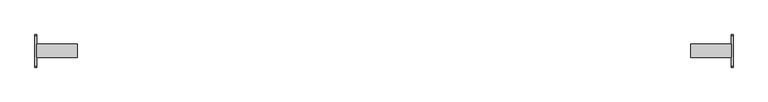
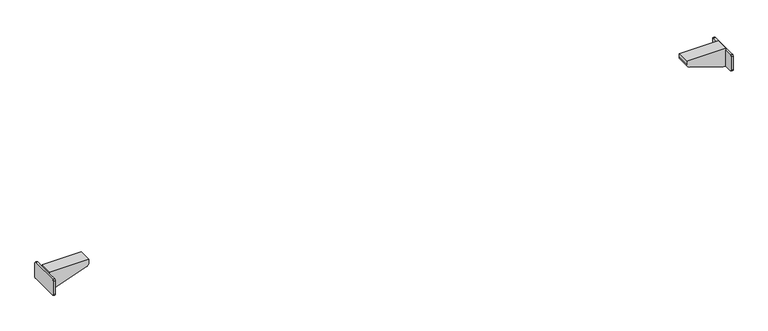
"""IFC4 building model written with IfcOpenShell, lengths in millimetres: furniture geometry."""

import ifcopenshell
import ifcopenshell.guid

model = None  # the IFC model being written
_history = None  # IfcOwnerHistory: only IFC2X3 demands one
_inside = {}  # id of a spatial element -> (the spatial element, [elements in it])
_under = {}  # id of a project, library or spatial element -> (it, [spatial elements below it])
_declared = {}  # id of a project -> (the project, [libraries it declares])
_typed = {}  # id of a type object -> (the type object, [elements of that type])
_made_of = {}  # id of a material, layer set ... -> (it, [elements and type objects made of it])


def new_model(schema):
    """Start an empty IFC model of exactly this schema.

    Asked for "IFC4X3", IfcOpenShell would pick the latest addendum, in which some entities
    have other attributes; the version numbers below select the first issue.
    IFC2X3 requires an IfcOwnerHistory on every rooted entity: one is made here for all.
    """
    global model, _history
    if schema == "IFC4X3":
        model = ifcopenshell.file(schema_version=(4, 3, 0, 0))
    else:
        model = ifcopenshell.file(schema=schema)
    _inside.clear()
    _under.clear()
    _declared.clear()
    _typed.clear()
    _made_of.clear()
    _history = None
    if model.schema == "IFC2X3":
        org = make("IfcOrganization", Name="unknown")
        user = make(
            "IfcPersonAndOrganization",
            ThePerson=make("IfcPerson", FamilyName="unknown"),
            TheOrganization=org,
        )
        app = make(
            "IfcApplication",
            ApplicationDeveloper=org,
            Version="unknown",
            ApplicationFullName="unknown",
            ApplicationIdentifier="unknown",
        )
        _history = make(
            "IfcOwnerHistory",
            OwningUser=user,
            OwningApplication=app,
            ChangeAction="ADDED",
            CreationDate=0,
        )
    return model


def make(cls, **values):
    """One entity of the class cls with the attributes given. An attribute that is None is left unset."""
    return model.create_entity(
        cls, **{name: value for name, value in values.items() if value is not None}
    )


def rooted(cls, **values):
    """An entity with a GlobalId (a new one), such as an element, a storey or a relation."""
    return make(cls, GlobalId=ifcopenshell.guid.new(), OwnerHistory=_history, **values)


def si_unit(unit_type, name, prefix=None):
    """IfcSIUnit, for example si_unit("LENGTHUNIT", "METRE", prefix="MILLI")."""
    return make("IfcSIUnit", UnitType=unit_type, Prefix=prefix, Name=name)


def assignment(units):
    """IfcUnitAssignment: the units of a project."""
    return None if units is None else make("IfcUnitAssignment", Units=units)


def point(xyz):
    """IfcCartesianPoint."""
    return None if xyz is None else make("IfcCartesianPoint", Coordinates=xyz)


def direction(xyz):
    """IfcDirection."""
    return None if xyz is None else make("IfcDirection", DirectionRatios=xyz)


def frame(location, z_axis=None, x_axis=None):
    """IfcAxis2Placement3D, a coordinate frame: its origin and axes. An axis left out is left unset."""
    return make(
        "IfcAxis2Placement3D",
        Location=point(location),
        Axis=direction(z_axis),
        RefDirection=direction(x_axis),
    )


def frame_2d(location, x_axis=None):
    """IfcAxis2Placement2D, a coordinate frame in the plane: its origin and x axis."""
    return make(
        "IfcAxis2Placement2D", Location=point(location), RefDirection=direction(x_axis)
    )


def origin():
    """The frame at (0, 0, 0) with its axes left unset."""
    return frame((0.0, 0.0, 0.0))


def place(relative_to, where):
    """IfcLocalPlacement: puts the frame where relative to a parent placement (None: the world)."""
    return make(
        "IfcLocalPlacement", PlacementRelTo=relative_to, RelativePlacement=where
    )


def context(
    kind, dimensions, precision=None, world=None, true_north=None, identifier=None
):
    """IfcGeometricRepresentationContext, for example the 3D "Model" context."""
    return make(
        "IfcGeometricRepresentationContext",
        ContextIdentifier=identifier,
        ContextType=kind,
        CoordinateSpaceDimension=dimensions,
        Precision=precision,
        WorldCoordinateSystem=world,
        TrueNorth=true_north,
    )


def project(units=None, contexts=None):
    """IfcProject with its units and contexts."""
    return rooted(
        "IfcProject",
        Name="project",
        RepresentationContexts=contexts,
        UnitsInContext=assignment(units),
    )


def spatial(cls, under=None, at=None, **own):
    """A site, building, storey or space (cls), placed at a placement, below another one or the project."""
    s = rooted(cls, ObjectPlacement=at, **own)
    if under is not None:
        _under.setdefault(under.id(), (under, []))[1].append(s)
    return s


def polyline(points):
    """IfcPolyline through the points."""
    return make("IfcPolyline", Points=[point(p) for p in points])


def circle_curve(where, radius):
    """IfcCircle in the frame where."""
    return make("IfcCircle", Position=where, Radius=radius)


def trimmed(basis, trim1, trim2, sense, master):
    """IfcTrimmedCurve: the piece of a basis curve between two trims."""
    return make(
        "IfcTrimmedCurve",
        BasisCurve=basis,
        Trim1=trim1,
        Trim2=trim2,
        SenseAgreement=sense,
        MasterRepresentation=master,
    )


def segment(curve, same_sense, transition):
    """IfcCompositeCurveSegment."""
    return make(
        "IfcCompositeCurveSegment",
        Transition=transition,
        SameSense=same_sense,
        ParentCurve=curve,
    )


def composite_curve(segments, self_intersect=None):
    """IfcCompositeCurve: segments joined end to end."""
    return make("IfcCompositeCurve", Segments=segments, SelfIntersect=self_intersect)


def outline(outer, holes=None, kind="AREA"):
    """IfcArbitraryClosedProfileDef: a profile drawn as a closed curve; with holes, ...WithVoids."""
    if holes is None:
        return make("IfcArbitraryClosedProfileDef", ProfileType=kind, OuterCurve=outer)
    return make(
        "IfcArbitraryProfileDefWithVoids",
        ProfileType=kind,
        OuterCurve=outer,
        InnerCurves=holes,
    )


def extrude(swept, where, along, depth):
    """IfcExtrudedAreaSolid: the profile swept, set in the frame where, extruded along a direction by depth."""
    return make(
        "IfcExtrudedAreaSolid",
        SweptArea=swept,
        Position=where,
        ExtrudedDirection=direction(along),
        Depth=depth,
    )


def shape(context_of_items, identifier, shape_type, items):
    """IfcShapeRepresentation: the items that make up one representation, for example the "Body"."""
    return make(
        "IfcShapeRepresentation",
        ContextOfItems=context_of_items,
        RepresentationIdentifier=identifier,
        RepresentationType=shape_type,
        Items=items,
    )


def source(mapping_origin, context_of_items, identifier, shape_type, items):
    """IfcRepresentationMap: a shape defined once, which mapped items show again and again."""
    return make(
        "IfcRepresentationMap",
        MappingOrigin=mapping_origin,
        MappedRepresentation=shape(context_of_items, identifier, shape_type, items),
    )


def transform(
    local_origin,
    x_axis=None,
    y_axis=None,
    z_axis=None,
    scale=None,
    scale2=None,
    scale3=None,
    uniform=True,
):
    """IfcCartesianTransformationOperator3D, or its non-uniform kind. x_axis, y_axis, z_axis: its Axis1, 2, 3."""
    if uniform:
        return make(
            "IfcCartesianTransformationOperator3D",
            Axis1=direction(x_axis),
            Axis2=direction(y_axis),
            LocalOrigin=point(local_origin),
            Scale=scale,
            Axis3=direction(z_axis),
        )
    return make(
        "IfcCartesianTransformationOperator3DnonUniform",
        Axis1=direction(x_axis),
        Axis2=direction(y_axis),
        LocalOrigin=point(local_origin),
        Scale=scale,
        Axis3=direction(z_axis),
        Scale2=scale2,
        Scale3=scale3,
    )


def mapped(mapping_source, mapping_target):
    """IfcMappedItem: shows the shape of a source again, moved by a transform."""
    return make(
        "IfcMappedItem", MappingSource=mapping_source, MappingTarget=mapping_target
    )


def made_of(thing, what):
    """Note that an element or type object is made of a material, layer set ...; save() writes the relation."""
    if what is not None:
        _made_of.setdefault(what.id(), (what, []))[1].append(thing)
    return thing


def element(
    cls,
    number,
    at=None,
    inside=None,
    cuts=None,
    type_object=None,
    material=None,
    context=None,
    identifier="Body",
    shape_type=None,
    held_by="IfcProductDefinitionShape",
    body=None,
    shapes=None,
    **own,
):
    """One element of the class cls, such as IfcWall. Its Tag is "e" and its number.

    at: its placement. inside: the storey or other place that contains it. cuts: it is an
    opening in that element (IfcRelVoidsElement). A single representation is given by context,
    identifier, shape_type and body (its items); several are given by shapes. held_by: the class
    of the entity that holds the representations. save() writes the other relations.
    """
    e = rooted(cls, Tag="e%d" % number, ObjectPlacement=at, **own)
    if body is not None:
        shapes = [shape(context, identifier, shape_type, body)]
    if shapes is not None:
        e.Representation = make(held_by, Representations=shapes)
    if inside is not None:
        _inside.setdefault(inside.id(), (inside, []))[1].append(e)
    if cuts is not None:
        rooted(
            "IfcRelVoidsElement", RelatingBuildingElement=cuts, RelatedOpeningElement=e
        )
    if type_object is not None:
        _typed.setdefault(type_object.id(), (type_object, []))[1].append(e)
    return made_of(e, material)


def aggregate(whole, parts):
    """IfcRelAggregates: a whole, such as a stair, and the parts it consists of."""
    return rooted("IfcRelAggregates", RelatingObject=whole, RelatedObjects=parts)


def save(model, path):
    """Write the relations noted so far, then the file.

    IfcRelAggregates (storeys below a building ...), IfcRelContainedInSpatialStructure (elements
    in a storey), IfcRelDefinesByType, IfcRelAssociatesMaterial and IfcRelDeclares: one each for
    every whole, place, type object, material and project.
    """
    for whole, parts in _under.values():
        aggregate(whole, parts)
    for where, things in _inside.values():
        rooted(
            "IfcRelContainedInSpatialStructure",
            RelatedElements=things,
            RelatingStructure=where,
        )
    for kind, things in _typed.values():
        rooted("IfcRelDefinesByType", RelatedObjects=things, RelatingType=kind)
    for what, things in _made_of.values():
        rooted("IfcRelAssociatesMaterial", RelatedObjects=things, RelatingMaterial=what)
    for by, libraries in _declared.values():
        rooted("IfcRelDeclares", RelatingContext=by, RelatedDefinitions=libraries)
    model.write(path)


def plane_surface(at):
    """IfcPlane: the flat surface through the origin of the frame at, square to its z axis."""
    return make("IfcPlane", Position=at)


def cylinder_surface(at, radius):
    """IfcCylindricalSurface: all points at the distance radius from the z axis of the frame at."""
    return make("IfcCylindricalSurface", Position=at, Radius=radius)


def advanced_brep(points, edges, surfaces, faces):
    """IfcAdvancedBrep: a solid bounded by faces that lie on surfaces and meet in shared edges.

    An edge is (start, end): straight between two places in points (the first is 0);
    or (start, end, curve); or (start, end, curve, False) where it runs against its curve.
    A face is (place in surfaces, loops), or (place, loops, False) where it looks against
    its surface's normal. A loop lists edges by number (the first is 1), with a minus sign
    where the edge is run from its end to its start. The first loop is the outer one.
    """
    corners = [point(p) for p in points]
    vertices = [make("IfcVertexPoint", VertexGeometry=c) for c in corners]
    made = []
    for start, end, *more in edges:
        made.append(
            make(
                "IfcEdgeCurve",
                EdgeStart=vertices[start],
                EdgeEnd=vertices[end],
                EdgeGeometry=more[0] if more else make("IfcPolyline", Points=[corners[start], corners[end]]),
                SameSense=more[1] if len(more) > 1 else True,
            )
        )
    hull = []
    for where, loops, *sense in faces:
        bounds = []
        for j, loop in enumerate(loops):
            ring = [make("IfcOrientedEdge", EdgeElement=made[abs(k) - 1], Orientation=k > 0) for k in loop]
            bounds.append(
                make(
                    "IfcFaceOuterBound" if j == 0 else "IfcFaceBound",
                    Bound=make("IfcEdgeLoop", EdgeList=ring),
                    Orientation=True,
                )
            )
        hull.append(make("IfcAdvancedFace", Bounds=bounds, FaceSurface=surfaces[where], SameSense=sense[0] if sense else True))
    return make("IfcAdvancedBrep", Outer=make("IfcClosedShell", CfsFaces=hull))


def furniture_bfee7aee(model_context):
    return source(origin(), model_context, "Body", "SolidModel", [
        extrude(outline(composite_curve([segment(polyline([(-39.4809876, 524.76), (39.5, 524.76)]), True, "CONTINUOUS"), segment(trimmed(circle_curve(frame_2d((39.5, 521.76)), 3.0), [point((39.5, 524.76))], [point((42.5, 521.76))], False, "CARTESIAN"), True, "CONTINUOUS"), segment(polyline([(42.5, 521.76), (42.5, 483.0324612)]), True, "CONTINUOUS"), segment(trimmed(circle_curve(frame_2d((39.4675388, 483.0324612)), 3.0324612), [point((42.5, 483.0324612))], [point((39.4675388, 480.0))], False, "CARTESIAN"), True, "CONTINUOUS"), segment(polyline([(39.4675388, 480.0), (-39.5133375, 480.0)]), True, "CONTINUOUS"), segment(trimmed(circle_curve(frame_2d((-39.5133375, 482.9866625)), 2.9866625), [point((-39.5133375, 480.0))], [point((-42.5, 482.9866625))], False, "CARTESIAN"), True, "CONTINUOUS"), segment(polyline([(-42.5, 482.9866625), (-42.5, 521.7409876)]), True, "CONTINUOUS"), segment(trimmed(circle_curve(frame_2d((-39.4809876, 521.7409876)), 3.0190124), [point((-42.5, 521.7409876))], [point((-39.4809876, 524.76))], False, "CARTESIAN"), True, "CONTINUOUS")], self_intersect=False)), frame((904.7599968, 0.0, 0.0), z_axis=(1.0, 0.0, 0.0), x_axis=(0.0, 1.0, 0.0)), (0.0, 0.0, 1.0), 5.24),
        extrude(outline(composite_curve([segment(polyline([(511.6677828, 806.7222698), (480.0, 897.9999968), (480.0, 904.7599968), (530.0, 904.7599968), (530.0, 799.9999968), (521.115349, 799.9999968)]), True, "CONTINUOUS"), segment(trimmed(circle_curve(frame_2d((521.115349, 809.9999968)), 10.0), [point((521.115349, 799.9999968))], [point((511.6677828, 806.7222698))], False, "CARTESIAN"), True, "CONTINUOUS")], self_intersect=False)), frame((0.0, -17.5, 0.0), z_axis=(0.0, 1.0, 0.0), x_axis=(0.0, 0.0, 1.0)), (0.0, 0.0, 1.0), 35.0),
        advanced_brep(
        [(-806.7222698, 17.5, 511.6677828), (-897.9999968, 17.5, 480.0), (-904.7599968, 17.5, 480.0), (-904.7599968, 17.5, 524.76), (-904.7599968, 17.5, 530.0), (-799.9999968, 17.5, 530.0), (-799.9999968, 17.5, 521.115349), (-806.7222698, -17.5, 511.6677828), (-799.9999968, -17.5, 521.115349), (-799.9999968, -17.5, 530.0), (-904.7599968, -17.5, 530.0), (-904.7599968, -17.5, 524.76), (-904.7599968, -17.5, 480.0), (-897.9999968, -17.5, 480.0), (-904.7599968, -39.5133375, 480.0), (-909.9999968, -39.5133375, 480.0), (-909.9999968, 39.4675388, 480.0), (-904.7599968, 39.4675388, 480.0), (-904.7599968, -39.4809876, 524.76), (-904.7599968, -42.5, 521.7409876), (-904.7599968, -42.5, 482.9866625), (-904.7599968, 39.5, 524.76), (-904.7599968, 42.5, 483.0324612), (-904.7599968, 42.5, 521.76), (-909.9999968, -39.4809876, 524.76), (-909.9999968, 39.5, 524.76), (-909.9999968, 42.5, 521.76), (-909.9999968, 42.5, 483.0324612), (-909.9999968, -42.5, 482.9866625), (-909.9999968, -42.5, 521.7409876)],
        [
            (0, 1),
            (1, 2),
            (2, 3),
            (3, 4),
            (4, 5),
            (5, 6),
            (6, 0, circle_curve(frame((-809.9999968, 17.5, 521.115349), z_axis=(0.0, 1.0, 0.0), x_axis=(1.0, 0.0, 0.0)), 10.0)),
            (7, 8, circle_curve(frame((-809.9999968, -17.5, 521.115349), z_axis=(0.0, -1.0, 0.0), x_axis=(1.0, 0.0, 0.0)), 10.0)),
            (8, 9),
            (9, 10),
            (10, 11),
            (11, 12),
            (12, 13),
            (13, 7),
            (6, 8),
            (7, 0),
            (5, 9),
            (4, 10),
            (3, 11),
            (1, 13),
            (12, 14),
            (14, 15),
            (15, 16),
            (16, 17),
            (17, 2),
            (11, 18),
            (18, 19, circle_curve(frame((-904.7599968, -39.4809876, 521.7409876), z_axis=(1.0, 0.0, 0.0), x_axis=(0.0, -1.0, 0.0)), 3.0190124)),
            (19, 20),
            (20, 14, circle_curve(frame((-904.7599968, -39.5133375, 482.9866625), z_axis=(1.0, 0.0, 0.0), x_axis=(0.0, -1.0, 0.0)), 2.9866625)),
            (21, 3),
            (17, 22, circle_curve(frame((-904.7599968, 39.4675388, 483.0324612), z_axis=(1.0, 0.0, 0.0), x_axis=(0.0, -1.0, 0.0)), 3.0324612)),
            (22, 23),
            (23, 21, circle_curve(frame((-904.7599968, 39.5, 521.76), z_axis=(1.0, 0.0, 0.0), x_axis=(0.0, -1.0, 0.0)), 3.0)),
            (24, 25),
            (25, 26, circle_curve(frame((-909.9999968, 39.5, 521.76), z_axis=(-1.0, 0.0, 0.0), x_axis=(0.0, -1.0, 0.0)), 3.0)),
            (26, 27),
            (27, 16, circle_curve(frame((-909.9999968, 39.4675388, 483.0324612), z_axis=(-1.0, 0.0, 0.0), x_axis=(0.0, -1.0, 0.0)), 3.0324612)),
            (15, 28, circle_curve(frame((-909.9999968, -39.5133375, 482.9866625), z_axis=(-1.0, 0.0, 0.0), x_axis=(0.0, -1.0, 0.0)), 2.9866625)),
            (28, 29),
            (29, 24, circle_curve(frame((-909.9999968, -39.4809876, 521.7409876), z_axis=(-1.0, 0.0, 0.0), x_axis=(0.0, -1.0, 0.0)), 3.0190124)),
            (24, 18),
            (21, 25),
            (23, 26),
            (22, 27),
            (20, 28),
            (19, 29),
        ],
        [
            plane_surface(frame((-799.9999968, 17.5, 521.115349), z_axis=(0.0, 1.0, 0.0), x_axis=(0.0, 0.0, 1.0))),
            plane_surface(frame((-799.9999968, -17.5, 521.115349), z_axis=(0.0, -1.0, 0.0), x_axis=(0.0, 0.0, -1.0))),
            cylinder_surface(frame((-809.9999968, -17.5, 521.115349), z_axis=(0.0, 1.0, 0.0), x_axis=(1.0, 0.0, 0.0)), 10.0),
            plane_surface(frame((-799.9999968, 17.5, 521.115349), z_axis=(1.0, 0.0, 0.0), x_axis=(0.0, -1.0, 0.0))),
            plane_surface(frame((-799.9999968, 17.5, 530.0), z_axis=(0.0, 0.0, 1.0), x_axis=(0.0, -1.0, 0.0))),
            plane_surface(frame((-904.7599968, 17.5, 530.0), z_axis=(-1.0, 0.0, 0.0), x_axis=(0.0, -1.0, 0.0))),
            plane_surface(frame((-904.7599968, 17.5, 480.0), z_axis=(0.0, 0.0, -1.0), x_axis=(0.0, -1.0, 0.0))),
            plane_surface(frame((-897.9999968, 17.5, 480.0), z_axis=(0.32777270209389825, 0.0, -0.9447566119176223), x_axis=(0.0, -1.0, 0.0))),
            plane_surface(frame((-904.7599968, 39.5, 524.76), z_axis=(1.0, 0.0, 0.0), x_axis=(0.0, 1.0, 0.0))),
            plane_surface(frame((-909.9999968, 39.5, 524.76), z_axis=(-1.0, 0.0, 0.0), x_axis=(0.0, -1.0, 0.0))),
            plane_surface(frame((-904.7599968, -39.4809876, 524.76), z_axis=(0.0, 0.0, 1.0), x_axis=(-1.0, 0.0, 0.0))),
            cylinder_surface(frame((-909.9999968, 39.5, 521.76), z_axis=(1.0, 0.0, 0.0), x_axis=(0.0, -1.0, 0.0)), 3.0),
            plane_surface(frame((-904.7599968, 42.5, 521.76), z_axis=(0.0, 1.0, 0.0), x_axis=(-1.0, 0.0, 0.0))),
            cylinder_surface(frame((-909.9999968, 39.4675388, 483.0324612), z_axis=(1.0, 0.0, 0.0), x_axis=(0.0, -1.0, 0.0)), 3.0324612),
            cylinder_surface(frame((-909.9999968, -39.5133375, 482.9866625), z_axis=(1.0, 0.0, 0.0), x_axis=(0.0, -1.0, 0.0)), 2.9866625),
            plane_surface(frame((-904.7599968, -42.5, 482.9866625), z_axis=(0.0, -1.0, 0.0), x_axis=(-1.0, 0.0, 0.0))),
            cylinder_surface(frame((-909.9999968, -39.4809876, 521.7409876), z_axis=(1.0, 0.0, 0.0), x_axis=(0.0, -1.0, 0.0)), 3.0190124),
        ],
        [
            (0, [[1, 2, 3, 4, 5, 6, 7]]),
            (1, [[8, 9, 10, 11, 12, 13, 14]]),
            (2, [[15, -8, 16, -7]]),
            (3, [[17, -9, -15, -6]]),
            (4, [[18, -10, -17, -5]]),
            (5, [[-4, 19, -11, -18]]),
            (6, [[20, -13, 21, 22, 23, 24, 25, -2]]),
            (7, [[-16, -14, -20, -1]]),
            (8, [[-21, -12, 26, 27, 28, 29]]),
            (8, [[30, -3, -25, 31, 32, 33]]),
            (9, [[34, 35, 36, 37, -23, 38, 39, 40]]),
            (10, [[41, -26, -19, -30, 42, -34]]),
            (11, [[43, -35, -42, -33]]),
            (12, [[44, -36, -43, -32]]),
            (13, [[-24, -37, -44, -31]]),
            (14, [[45, -38, -22, -29]]),
            (15, [[46, -39, -45, -28]]),
            (16, [[-41, -40, -46, -27]]),
        ],
    ),
    ])


if __name__ == "__main__":
    model = new_model("IFC4")
    model_context = context("Model", 3, world=origin())
    ifc_project = project(units=[si_unit("LENGTHUNIT", "METRE", prefix="MILLI")], contexts=[model_context])
    site = spatial("IfcSite", under=ifc_project)
    building = spatial("IfcBuilding", under=site)
    placement = place(None, origin())
    furniture_shape = furniture_bfee7aee(model_context)
    element("IfcFurniture", 1, at=placement, inside=building, context=model_context, shape_type="MappedRepresentation", body=[
        mapped(furniture_shape, transform((0.0, 0.0, 0.0), x_axis=(1.0, 0.0, 0.0), y_axis=(0.0, 1.0, 0.0), z_axis=(0.0, 0.0, 1.0))),
    ])
    save(model, "model.ifc")
